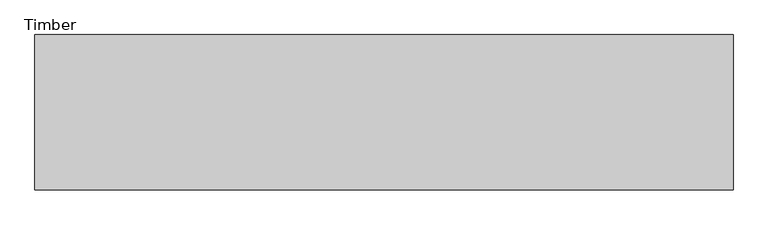
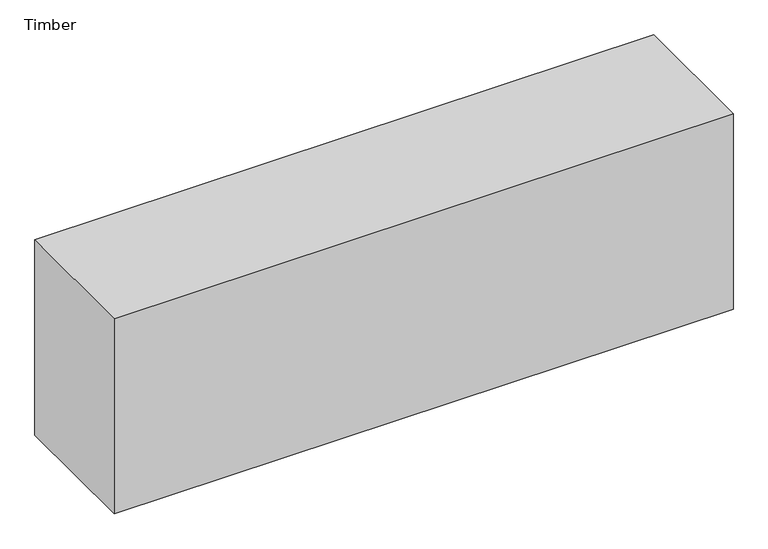
"""IFC4 building model written with IfcOpenShell, lengths in millimetres: beam geometry, Timber."""

import ifcopenshell
import ifcopenshell.guid

model = None  # the IFC model being written
_history = None  # IfcOwnerHistory: only IFC2X3 demands one
_inside = {}  # id of a spatial element -> (the spatial element, [elements in it])
_under = {}  # id of a project, library or spatial element -> (it, [spatial elements below it])
_declared = {}  # id of a project -> (the project, [libraries it declares])
_typed = {}  # id of a type object -> (the type object, [elements of that type])
_made_of = {}  # id of a material, layer set ... -> (it, [elements and type objects made of it])


def new_model(schema):
    """Start an empty IFC model of exactly this schema.

    Asked for "IFC4X3", IfcOpenShell would pick the latest addendum, in which some entities
    have other attributes; the version numbers below select the first issue.
    IFC2X3 requires an IfcOwnerHistory on every rooted entity: one is made here for all.
    """
    global model, _history
    if schema == "IFC4X3":
        model = ifcopenshell.file(schema_version=(4, 3, 0, 0))
    else:
        model = ifcopenshell.file(schema=schema)
    _inside.clear()
    _under.clear()
    _declared.clear()
    _typed.clear()
    _made_of.clear()
    _history = None
    if model.schema == "IFC2X3":
        org = make("IfcOrganization", Name="unknown")
        user = make(
            "IfcPersonAndOrganization",
            ThePerson=make("IfcPerson", FamilyName="unknown"),
            TheOrganization=org,
        )
        app = make(
            "IfcApplication",
            ApplicationDeveloper=org,
            Version="unknown",
            ApplicationFullName="unknown",
            ApplicationIdentifier="unknown",
        )
        _history = make(
            "IfcOwnerHistory",
            OwningUser=user,
            OwningApplication=app,
            ChangeAction="ADDED",
            CreationDate=0,
        )
    return model


def make(cls, **values):
    """One entity of the class cls with the attributes given. An attribute that is None is left unset."""
    return model.create_entity(
        cls, **{name: value for name, value in values.items() if value is not None}
    )


def rooted(cls, **values):
    """An entity with a GlobalId (a new one), such as an element, a storey or a relation."""
    return make(cls, GlobalId=ifcopenshell.guid.new(), OwnerHistory=_history, **values)


def si_unit(unit_type, name, prefix=None):
    """IfcSIUnit, for example si_unit("LENGTHUNIT", "METRE", prefix="MILLI")."""
    return make("IfcSIUnit", UnitType=unit_type, Prefix=prefix, Name=name)


def assignment(units):
    """IfcUnitAssignment: the units of a project."""
    return None if units is None else make("IfcUnitAssignment", Units=units)


def point(xyz):
    """IfcCartesianPoint."""
    return None if xyz is None else make("IfcCartesianPoint", Coordinates=xyz)


def direction(xyz):
    """IfcDirection."""
    return None if xyz is None else make("IfcDirection", DirectionRatios=xyz)


def frame(location, z_axis=None, x_axis=None):
    """IfcAxis2Placement3D, a coordinate frame: its origin and axes. An axis left out is left unset."""
    return make(
        "IfcAxis2Placement3D",
        Location=point(location),
        Axis=direction(z_axis),
        RefDirection=direction(x_axis),
    )


def origin():
    """The frame at (0, 0, 0) with its axes left unset."""
    return frame((0.0, 0.0, 0.0))


def place(relative_to, where):
    """IfcLocalPlacement: puts the frame where relative to a parent placement (None: the world)."""
    return make(
        "IfcLocalPlacement", PlacementRelTo=relative_to, RelativePlacement=where
    )


def context(
    kind, dimensions, precision=None, world=None, true_north=None, identifier=None
):
    """IfcGeometricRepresentationContext, for example the 3D "Model" context."""
    return make(
        "IfcGeometricRepresentationContext",
        ContextIdentifier=identifier,
        ContextType=kind,
        CoordinateSpaceDimension=dimensions,
        Precision=precision,
        WorldCoordinateSystem=world,
        TrueNorth=true_north,
    )


def project(units=None, contexts=None):
    """IfcProject with its units and contexts."""
    return rooted(
        "IfcProject",
        Name="project",
        RepresentationContexts=contexts,
        UnitsInContext=assignment(units),
    )


def spatial(cls, under=None, at=None, **own):
    """A site, building, storey or space (cls), placed at a placement, below another one or the project."""
    s = rooted(cls, ObjectPlacement=at, **own)
    if under is not None:
        _under.setdefault(under.id(), (under, []))[1].append(s)
    return s


def polyline(points):
    """IfcPolyline through the points."""
    return make("IfcPolyline", Points=[point(p) for p in points])


def outline(outer, holes=None, kind="AREA"):
    """IfcArbitraryClosedProfileDef: a profile drawn as a closed curve; with holes, ...WithVoids."""
    if holes is None:
        return make("IfcArbitraryClosedProfileDef", ProfileType=kind, OuterCurve=outer)
    return make(
        "IfcArbitraryProfileDefWithVoids",
        ProfileType=kind,
        OuterCurve=outer,
        InnerCurves=holes,
    )


def extrude(swept, where, along, depth):
    """IfcExtrudedAreaSolid: the profile swept, set in the frame where, extruded along a direction by depth."""
    return make(
        "IfcExtrudedAreaSolid",
        SweptArea=swept,
        Position=where,
        ExtrudedDirection=direction(along),
        Depth=depth,
    )


def shape(context_of_items, identifier, shape_type, items):
    """IfcShapeRepresentation: the items that make up one representation, for example the "Body"."""
    return make(
        "IfcShapeRepresentation",
        ContextOfItems=context_of_items,
        RepresentationIdentifier=identifier,
        RepresentationType=shape_type,
        Items=items,
    )


def source(mapping_origin, context_of_items, identifier, shape_type, items):
    """IfcRepresentationMap: a shape defined once, which mapped items show again and again."""
    return make(
        "IfcRepresentationMap",
        MappingOrigin=mapping_origin,
        MappedRepresentation=shape(context_of_items, identifier, shape_type, items),
    )


def transform(
    local_origin,
    x_axis=None,
    y_axis=None,
    z_axis=None,
    scale=None,
    scale2=None,
    scale3=None,
    uniform=True,
):
    """IfcCartesianTransformationOperator3D, or its non-uniform kind. x_axis, y_axis, z_axis: its Axis1, 2, 3."""
    if uniform:
        return make(
            "IfcCartesianTransformationOperator3D",
            Axis1=direction(x_axis),
            Axis2=direction(y_axis),
            LocalOrigin=point(local_origin),
            Scale=scale,
            Axis3=direction(z_axis),
        )
    return make(
        "IfcCartesianTransformationOperator3DnonUniform",
        Axis1=direction(x_axis),
        Axis2=direction(y_axis),
        LocalOrigin=point(local_origin),
        Scale=scale,
        Axis3=direction(z_axis),
        Scale2=scale2,
        Scale3=scale3,
    )


def mapped(mapping_source, mapping_target):
    """IfcMappedItem: shows the shape of a source again, moved by a transform."""
    return make(
        "IfcMappedItem", MappingSource=mapping_source, MappingTarget=mapping_target
    )


def made_of(thing, what):
    """Note that an element or type object is made of a material, layer set ...; save() writes the relation."""
    if what is not None:
        _made_of.setdefault(what.id(), (what, []))[1].append(thing)
    return thing


def element(
    cls,
    number,
    at=None,
    inside=None,
    cuts=None,
    type_object=None,
    material=None,
    context=None,
    identifier="Body",
    shape_type=None,
    held_by="IfcProductDefinitionShape",
    body=None,
    shapes=None,
    **own,
):
    """One element of the class cls, such as IfcWall. Its Tag is "e" and its number.

    at: its placement. inside: the storey or other place that contains it. cuts: it is an
    opening in that element (IfcRelVoidsElement). A single representation is given by context,
    identifier, shape_type and body (its items); several are given by shapes. held_by: the class
    of the entity that holds the representations. save() writes the other relations.
    """
    e = rooted(cls, Tag="e%d" % number, ObjectPlacement=at, **own)
    if body is not None:
        shapes = [shape(context, identifier, shape_type, body)]
    if shapes is not None:
        e.Representation = make(held_by, Representations=shapes)
    if inside is not None:
        _inside.setdefault(inside.id(), (inside, []))[1].append(e)
    if cuts is not None:
        rooted(
            "IfcRelVoidsElement", RelatingBuildingElement=cuts, RelatedOpeningElement=e
        )
    if type_object is not None:
        _typed.setdefault(type_object.id(), (type_object, []))[1].append(e)
    return made_of(e, material)


def aggregate(whole, parts):
    """IfcRelAggregates: a whole, such as a stair, and the parts it consists of."""
    return rooted("IfcRelAggregates", RelatingObject=whole, RelatedObjects=parts)


def save(model, path):
    """Write the relations noted so far, then the file.

    IfcRelAggregates (storeys below a building ...), IfcRelContainedInSpatialStructure (elements
    in a storey), IfcRelDefinesByType, IfcRelAssociatesMaterial and IfcRelDeclares: one each for
    every whole, place, type object, material and project.
    """
    for whole, parts in _under.values():
        aggregate(whole, parts)
    for where, things in _inside.values():
        rooted(
            "IfcRelContainedInSpatialStructure",
            RelatedElements=things,
            RelatingStructure=where,
        )
    for kind, things in _typed.values():
        rooted("IfcRelDefinesByType", RelatedObjects=things, RelatingType=kind)
    for what, things in _made_of.values():
        rooted("IfcRelAssociatesMaterial", RelatedObjects=things, RelatingMaterial=what)
    for by, libraries in _declared.values():
        rooted("IfcRelDeclares", RelatingContext=by, RelatedDefinitions=libraries)
    model.write(path)


def timber_6ce173db(model_context):
    return source(origin(), model_context, "Body", "SweptSolid", [
        extrude(outline(polyline([(571.1179201, 127.0), (571.1179201, -127.0), (-571.1179201, -127.0), (-571.1179201, 127.0), (571.1179201, 127.0)])), frame((0.0, 0.0, -190.5), z_axis=(0.0, 0.0, 1.0), x_axis=(1.0, 0.0, 0.0)), (0.0, 0.0, 1.0), 381.0),
    ])


if __name__ == "__main__":
    model = new_model("IFC4")
    model_context = context("Model", 3, world=origin())
    ifc_project = project(units=[si_unit("LENGTHUNIT", "METRE", prefix="MILLI")], contexts=[model_context])
    site = spatial("IfcSite", under=ifc_project)
    building = spatial("IfcBuilding", under=site)
    placement = place(None, origin())
    timber_shape = timber_6ce173db(model_context)
    element("IfcBeam", 1, ObjectType="Timber", at=placement, inside=building, context=model_context, shape_type="MappedRepresentation", body=[
        mapped(timber_shape, transform((0.0, 0.0, 0.0), x_axis=(1.0, 0.0, 0.0), y_axis=(0.0, 1.0, 0.0), z_axis=(0.0, 0.0, 1.0))),
    ])
    save(model, "model.ifc")
